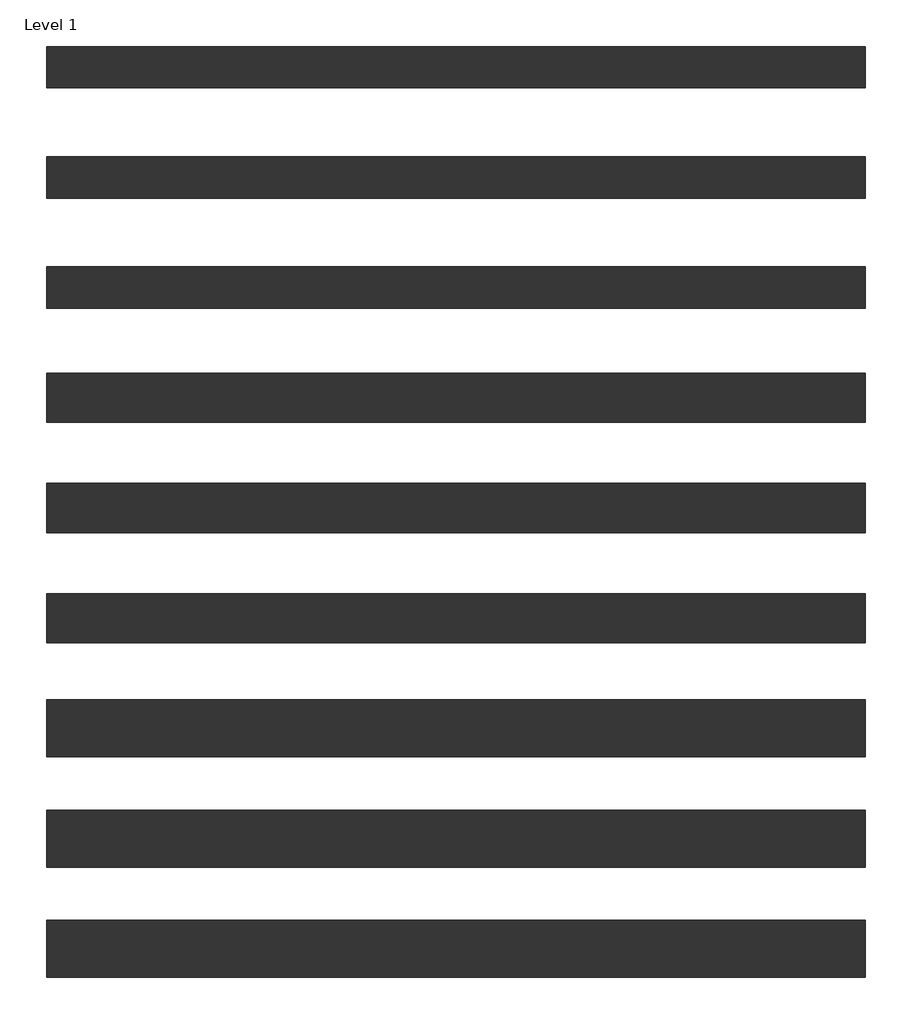
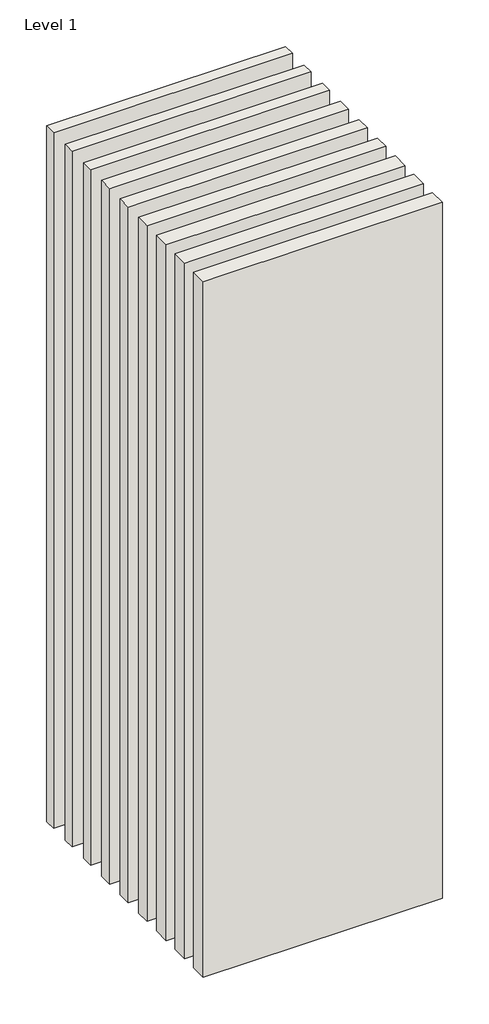
# One storey: 9 walls.
"""IFC4 building model written with IfcOpenShell, lengths in millimetres."""

from ifc_helpers import new_model, si_unit, origin, origin_with_axes, place, context, project, spatial, polyline, outline, extrude, element, save

model = new_model("IFC4")

# Units and contexts
model_context = context("Model", 3, world=origin())
ifc_project = project(units=[si_unit("LENGTHUNIT", "METRE", prefix="MILLI")], contexts=[model_context])

# Site, building, storey
site = spatial("IfcSite", under=ifc_project)
building = spatial("IfcBuilding", under=site)
storey = spatial("IfcBuildingStorey", under=building, Name="Level 1", Elevation=0.0)

# Walls
placement = place(None, origin())
element("IfcWall", 1, at=placement, inside=storey, context=model_context, shape_type="SweptSolid", body=[
    extrude(outline(polyline([(-16904.1464237, 2608.4042935), (-19504.1464237, 2608.4042935), (-19504.1464237, 2764.4042935), (-16904.1464237, 2764.4042935), (-16904.1464237, 2608.4042935)])), origin_with_axes(), (0.0, 0.0, 1.0), 8000.0),
])
element("IfcWall", 2, at=placement, inside=storey, context=model_context, shape_type="SweptSolid", body=[
    extrude(outline(polyline([(-16904.1464237, 2258.4042935), (-19504.1464237, 2258.4042935), (-19504.1464237, 2414.4042935), (-16904.1464237, 2414.4042935), (-16904.1464237, 2258.4042935)])), origin_with_axes(), (0.0, 0.0, 1.0), 8000.0),
])
element("IfcWall", 3, at=placement, inside=storey, context=model_context, shape_type="SweptSolid", body=[
    extrude(outline(polyline([(-16904.1464237, 1908.4042935), (-19504.1464237, 1908.4042935), (-19504.1464237, 2064.4042935), (-16904.1464237, 2064.4042935), (-16904.1464237, 1908.4042935)])), origin_with_axes(), (0.0, 0.0, 1.0), 8000.0),
])
element("IfcWall", 4, at=placement, inside=storey, context=model_context, shape_type="SweptSolid", body=[
    extrude(outline(polyline([(-16904.1464237, 3670.9042935), (-19504.1464237, 3670.9042935), (-19504.1464237, 3801.9042935), (-16904.1464237, 3801.9042935), (-16904.1464237, 3670.9042935)])), origin_with_axes(), (0.0, 0.0, 1.0), 8000.0),
])
element("IfcWall", 5, at=placement, inside=storey, context=model_context, shape_type="SweptSolid", body=[
    extrude(outline(polyline([(-16904.1464237, 3320.9042935), (-19504.1464237, 3320.9042935), (-19504.1464237, 3451.9042935), (-16904.1464237, 3451.9042935), (-16904.1464237, 3320.9042935)])), origin_with_axes(), (0.0, 0.0, 1.0), 8000.0),
])
element("IfcWall", 6, at=placement, inside=storey, context=model_context, shape_type="SweptSolid", body=[
    extrude(outline(polyline([(-16904.1464237, 2970.9042935), (-19504.1464237, 2970.9042935), (-19504.1464237, 3101.9042935), (-16904.1464237, 3101.9042935), (-16904.1464237, 2970.9042935)])), origin_with_axes(), (0.0, 0.0, 1.0), 8000.0),
])
element("IfcWall", 7, at=placement, inside=storey, context=model_context, shape_type="SweptSolid", body=[
    extrude(outline(polyline([(-16904.1464237, 1545.9042935), (-19504.1464237, 1545.9042935), (-19504.1464237, 1726.9042935), (-16904.1464237, 1726.9042935), (-16904.1464237, 1545.9042935)])), origin_with_axes(), (0.0, 0.0, 1.0), 8000.0),
])
element("IfcWall", 8, at=placement, inside=storey, context=model_context, shape_type="SweptSolid", body=[
    extrude(outline(polyline([(-16904.1464237, 1195.9042935), (-19504.1464237, 1195.9042935), (-19504.1464237, 1376.9042935), (-16904.1464237, 1376.9042935), (-16904.1464237, 1195.9042935)])), origin_with_axes(), (0.0, 0.0, 1.0), 8000.0),
])
element("IfcWall", 9, at=placement, inside=storey, context=model_context, shape_type="SweptSolid", body=[
    extrude(outline(polyline([(-16904.1464237, 845.9042935), (-19504.1464237, 845.9042935), (-19504.1464237, 1026.9042935), (-16904.1464237, 1026.9042935), (-16904.1464237, 845.9042935)])), origin_with_axes(), (0.0, 0.0, 1.0), 8000.0),
])

save(model, "model.ifc")
